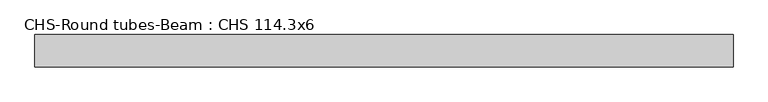
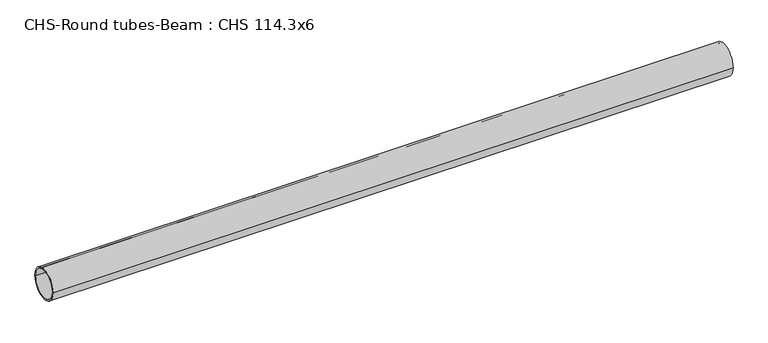
"""IFC4 building model written with IfcOpenShell, lengths in millimetres: beam geometry, CHS-Round tubes-Beam : CHS 114.3x6."""

from ifc_helpers import new_model, si_unit, point, frame, origin, origin_2d, place, context, project, spatial, circle_curve, trimmed, segment, composite_curve, outline, extrude, source, transform, mapped, element, save


def chs_round_tubes_beam_chs_114_3x6_1f6a9d16(model_context):
    return source(origin(), model_context, "Body", "SweptSolid", [
        extrude(outline(composite_curve([segment(trimmed(circle_curve(origin_2d(), 57.15), [point((57.15, 0.0))], [point((-57.15, 0.0))], False, "CARTESIAN"), True, "CONTINUOUS"), segment(trimmed(circle_curve(origin_2d(), 57.15), [point((-57.15, 0.0))], [point((57.15, 0.0))], False, "CARTESIAN"), True, "CONTINUOUS")], self_intersect=False), holes=[composite_curve([segment(trimmed(circle_curve(origin_2d(), 51.15), [point((51.15, 0.0))], [point((-51.15, 0.0))], True, "CARTESIAN"), True, "CONTINUOUS"), segment(trimmed(circle_curve(origin_2d(), 51.15), [point((-51.15, 0.0))], [point((51.15, 0.0))], True, "CARTESIAN"), True, "CONTINUOUS")], self_intersect=False)]), frame((-1222.0076654, 0.0, 0.0), z_axis=(1.0, 0.0, 0.0), x_axis=(0.0, 1.0, 0.0)), (0.0, 0.0, 1.0), 2479.4938353),
    ])


if __name__ == "__main__":
    model = new_model("IFC4")
    model_context = context("Model", 3, world=origin())
    ifc_project = project(units=[si_unit("LENGTHUNIT", "METRE", prefix="MILLI")], contexts=[model_context])
    site = spatial("IfcSite", under=ifc_project)
    building = spatial("IfcBuilding", under=site)
    placement = place(None, origin())
    chs_round_tubes_beam_chs_114_3x6_shape = chs_round_tubes_beam_chs_114_3x6_1f6a9d16(model_context)
    element("IfcBeam", 1, ObjectType="CHS-Round tubes-Beam : CHS 114.3x6", at=placement, inside=building, context=model_context, shape_type="MappedRepresentation", body=[
        mapped(chs_round_tubes_beam_chs_114_3x6_shape, transform((0.0, 0.0, 0.0), x_axis=(1.0, 0.0, 0.0), y_axis=(0.0, 1.0, 0.0), z_axis=(0.0, 0.0, 1.0))),
    ])
    save(model, "model.ifc")
